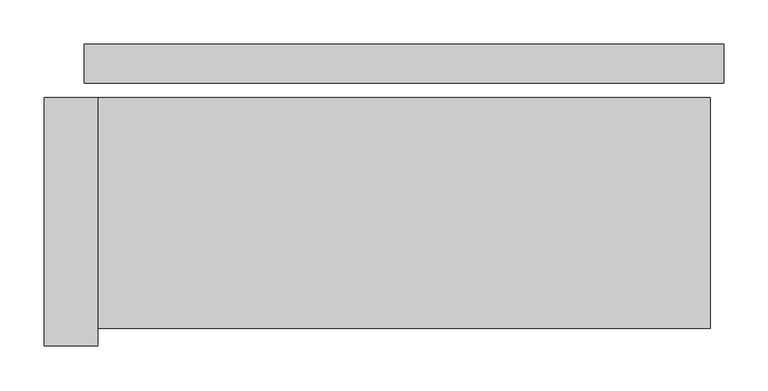
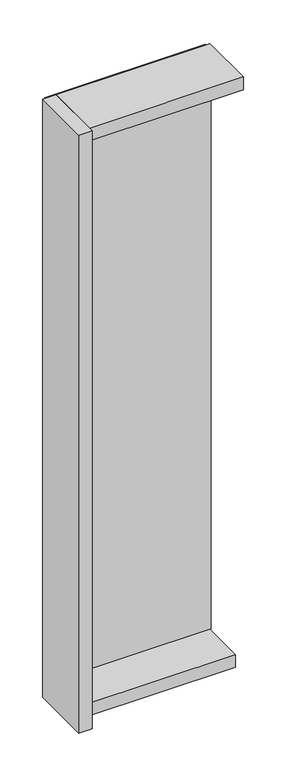
"""IFC4 building model written with IfcOpenShell, lengths in millimetres: plate geometry."""

from ifc_helpers import new_model, si_unit, frame, origin, origin_with_axes, place, context, project, spatial, polyline, outline, extrude, source, transform, mapped, element, save


def plate_d8f0776d(model_context):
    return source(origin(), model_context, "Body", "SweptSolid", [
        extrude(outline(polyline([(360.0, 0.0), (360.0, -44.0), (-360.0, -44.0), (-360.0, 0.0), (360.0, 0.0)])), origin_with_axes(), (0.0, 0.0, 1.0), 2742.0),
        extrude(outline(polyline([(-345.0, -60.0), (-345.0, -340.0), (-405.0, -340.0), (-405.0, -60.0), (-345.0, -60.0)])), frame((0.0, 0.0, -45.0), z_axis=(0.0, 0.0, 1.0), x_axis=(1.0, 0.0, 0.0)), (0.0, 0.0, 1.0), 2832.0),
        extrude(outline(polyline([(345.0, -260.0), (-345.0, -260.0), (-345.0, -60.0), (345.0, -60.0), (345.0, -260.0)])), frame((0.0, 0.0, -45.0), z_axis=(0.0, 0.0, 1.0), x_axis=(1.0, 0.0, 0.0)), (0.0, 0.0, 1.0), 60.0),
        extrude(outline(polyline([(345.0, -60.0), (345.0, -320.0), (-345.0, -320.0), (-345.0, -60.0), (345.0, -60.0)])), frame((0.0, 0.0, 2727.0), z_axis=(0.0, 0.0, 1.0), x_axis=(1.0, 0.0, 0.0)), (0.0, 0.0, 1.0), 60.0),
    ])


if __name__ == "__main__":
    model = new_model("IFC4")
    model_context = context("Model", 3, world=origin())
    ifc_project = project(units=[si_unit("LENGTHUNIT", "METRE", prefix="MILLI")], contexts=[model_context])
    site = spatial("IfcSite", under=ifc_project)
    building = spatial("IfcBuilding", under=site)
    placement = place(None, origin())
    plate_shape = plate_d8f0776d(model_context)
    element("IfcPlate", 1, at=placement, inside=building, context=model_context, shape_type="MappedRepresentation", body=[
        mapped(plate_shape, transform((0.0, 0.0, 0.0), x_axis=(1.0, 0.0, 0.0), y_axis=(0.0, 1.0, 0.0), z_axis=(0.0, 0.0, 1.0))),
    ])
    save(model, "model.ifc")
